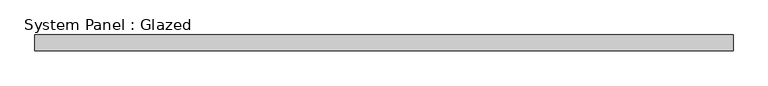
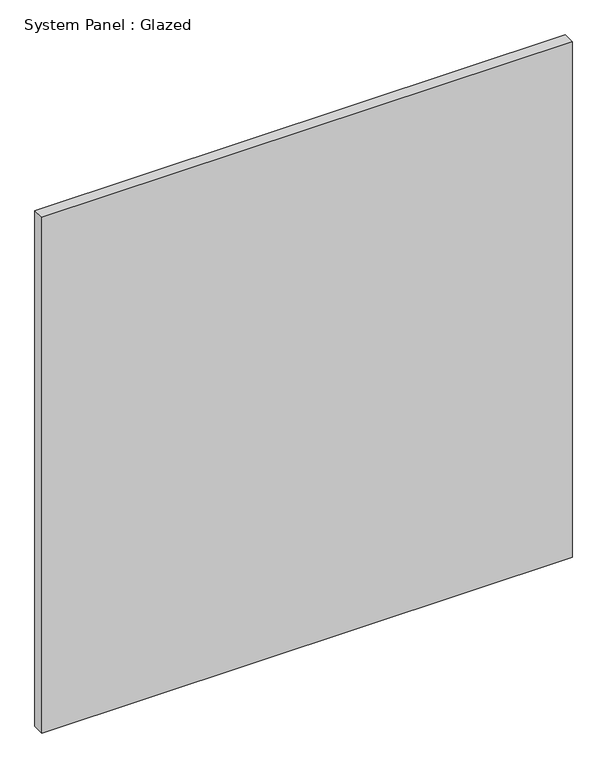
"""IFC4 building model written with IfcOpenShell, lengths in millimetres: plate geometry, System Panel : Glazed."""

import ifcopenshell
import ifcopenshell.guid

model = None  # the IFC model being written
_history = None  # IfcOwnerHistory: only IFC2X3 demands one
_inside = {}  # id of a spatial element -> (the spatial element, [elements in it])
_under = {}  # id of a project, library or spatial element -> (it, [spatial elements below it])
_declared = {}  # id of a project -> (the project, [libraries it declares])
_typed = {}  # id of a type object -> (the type object, [elements of that type])
_made_of = {}  # id of a material, layer set ... -> (it, [elements and type objects made of it])


def new_model(schema):
    """Start an empty IFC model of exactly this schema.

    Asked for "IFC4X3", IfcOpenShell would pick the latest addendum, in which some entities
    have other attributes; the version numbers below select the first issue.
    IFC2X3 requires an IfcOwnerHistory on every rooted entity: one is made here for all.
    """
    global model, _history
    if schema == "IFC4X3":
        model = ifcopenshell.file(schema_version=(4, 3, 0, 0))
    else:
        model = ifcopenshell.file(schema=schema)
    _inside.clear()
    _under.clear()
    _declared.clear()
    _typed.clear()
    _made_of.clear()
    _history = None
    if model.schema == "IFC2X3":
        org = make("IfcOrganization", Name="unknown")
        user = make(
            "IfcPersonAndOrganization",
            ThePerson=make("IfcPerson", FamilyName="unknown"),
            TheOrganization=org,
        )
        app = make(
            "IfcApplication",
            ApplicationDeveloper=org,
            Version="unknown",
            ApplicationFullName="unknown",
            ApplicationIdentifier="unknown",
        )
        _history = make(
            "IfcOwnerHistory",
            OwningUser=user,
            OwningApplication=app,
            ChangeAction="ADDED",
            CreationDate=0,
        )
    return model


def make(cls, **values):
    """One entity of the class cls with the attributes given. An attribute that is None is left unset."""
    return model.create_entity(
        cls, **{name: value for name, value in values.items() if value is not None}
    )


def rooted(cls, **values):
    """An entity with a GlobalId (a new one), such as an element, a storey or a relation."""
    return make(cls, GlobalId=ifcopenshell.guid.new(), OwnerHistory=_history, **values)


def si_unit(unit_type, name, prefix=None):
    """IfcSIUnit, for example si_unit("LENGTHUNIT", "METRE", prefix="MILLI")."""
    return make("IfcSIUnit", UnitType=unit_type, Prefix=prefix, Name=name)


def assignment(units):
    """IfcUnitAssignment: the units of a project."""
    return None if units is None else make("IfcUnitAssignment", Units=units)


def point(xyz):
    """IfcCartesianPoint."""
    return None if xyz is None else make("IfcCartesianPoint", Coordinates=xyz)


def direction(xyz):
    """IfcDirection."""
    return None if xyz is None else make("IfcDirection", DirectionRatios=xyz)


def frame(location, z_axis=None, x_axis=None):
    """IfcAxis2Placement3D, a coordinate frame: its origin and axes. An axis left out is left unset."""
    return make(
        "IfcAxis2Placement3D",
        Location=point(location),
        Axis=direction(z_axis),
        RefDirection=direction(x_axis),
    )


def origin():
    """The frame at (0, 0, 0) with its axes left unset."""
    return frame((0.0, 0.0, 0.0))


def origin_with_axes():
    """The frame at (0, 0, 0) with the z axis (0, 0, 1) and the x axis (1, 0, 0) written out."""
    return frame((0.0, 0.0, 0.0), z_axis=(0.0, 0.0, 1.0), x_axis=(1.0, 0.0, 0.0))


def place(relative_to, where):
    """IfcLocalPlacement: puts the frame where relative to a parent placement (None: the world)."""
    return make(
        "IfcLocalPlacement", PlacementRelTo=relative_to, RelativePlacement=where
    )


def context(
    kind, dimensions, precision=None, world=None, true_north=None, identifier=None
):
    """IfcGeometricRepresentationContext, for example the 3D "Model" context."""
    return make(
        "IfcGeometricRepresentationContext",
        ContextIdentifier=identifier,
        ContextType=kind,
        CoordinateSpaceDimension=dimensions,
        Precision=precision,
        WorldCoordinateSystem=world,
        TrueNorth=true_north,
    )


def project(units=None, contexts=None):
    """IfcProject with its units and contexts."""
    return rooted(
        "IfcProject",
        Name="project",
        RepresentationContexts=contexts,
        UnitsInContext=assignment(units),
    )


def spatial(cls, under=None, at=None, **own):
    """A site, building, storey or space (cls), placed at a placement, below another one or the project."""
    s = rooted(cls, ObjectPlacement=at, **own)
    if under is not None:
        _under.setdefault(under.id(), (under, []))[1].append(s)
    return s


def polyline(points):
    """IfcPolyline through the points."""
    return make("IfcPolyline", Points=[point(p) for p in points])


def outline(outer, holes=None, kind="AREA"):
    """IfcArbitraryClosedProfileDef: a profile drawn as a closed curve; with holes, ...WithVoids."""
    if holes is None:
        return make("IfcArbitraryClosedProfileDef", ProfileType=kind, OuterCurve=outer)
    return make(
        "IfcArbitraryProfileDefWithVoids",
        ProfileType=kind,
        OuterCurve=outer,
        InnerCurves=holes,
    )


def extrude(swept, where, along, depth):
    """IfcExtrudedAreaSolid: the profile swept, set in the frame where, extruded along a direction by depth."""
    return make(
        "IfcExtrudedAreaSolid",
        SweptArea=swept,
        Position=where,
        ExtrudedDirection=direction(along),
        Depth=depth,
    )


def shape(context_of_items, identifier, shape_type, items):
    """IfcShapeRepresentation: the items that make up one representation, for example the "Body"."""
    return make(
        "IfcShapeRepresentation",
        ContextOfItems=context_of_items,
        RepresentationIdentifier=identifier,
        RepresentationType=shape_type,
        Items=items,
    )


def source(mapping_origin, context_of_items, identifier, shape_type, items):
    """IfcRepresentationMap: a shape defined once, which mapped items show again and again."""
    return make(
        "IfcRepresentationMap",
        MappingOrigin=mapping_origin,
        MappedRepresentation=shape(context_of_items, identifier, shape_type, items),
    )


def transform(
    local_origin,
    x_axis=None,
    y_axis=None,
    z_axis=None,
    scale=None,
    scale2=None,
    scale3=None,
    uniform=True,
):
    """IfcCartesianTransformationOperator3D, or its non-uniform kind. x_axis, y_axis, z_axis: its Axis1, 2, 3."""
    if uniform:
        return make(
            "IfcCartesianTransformationOperator3D",
            Axis1=direction(x_axis),
            Axis2=direction(y_axis),
            LocalOrigin=point(local_origin),
            Scale=scale,
            Axis3=direction(z_axis),
        )
    return make(
        "IfcCartesianTransformationOperator3DnonUniform",
        Axis1=direction(x_axis),
        Axis2=direction(y_axis),
        LocalOrigin=point(local_origin),
        Scale=scale,
        Axis3=direction(z_axis),
        Scale2=scale2,
        Scale3=scale3,
    )


def mapped(mapping_source, mapping_target):
    """IfcMappedItem: shows the shape of a source again, moved by a transform."""
    return make(
        "IfcMappedItem", MappingSource=mapping_source, MappingTarget=mapping_target
    )


def made_of(thing, what):
    """Note that an element or type object is made of a material, layer set ...; save() writes the relation."""
    if what is not None:
        _made_of.setdefault(what.id(), (what, []))[1].append(thing)
    return thing


def element(
    cls,
    number,
    at=None,
    inside=None,
    cuts=None,
    type_object=None,
    material=None,
    context=None,
    identifier="Body",
    shape_type=None,
    held_by="IfcProductDefinitionShape",
    body=None,
    shapes=None,
    **own,
):
    """One element of the class cls, such as IfcWall. Its Tag is "e" and its number.

    at: its placement. inside: the storey or other place that contains it. cuts: it is an
    opening in that element (IfcRelVoidsElement). A single representation is given by context,
    identifier, shape_type and body (its items); several are given by shapes. held_by: the class
    of the entity that holds the representations. save() writes the other relations.
    """
    e = rooted(cls, Tag="e%d" % number, ObjectPlacement=at, **own)
    if body is not None:
        shapes = [shape(context, identifier, shape_type, body)]
    if shapes is not None:
        e.Representation = make(held_by, Representations=shapes)
    if inside is not None:
        _inside.setdefault(inside.id(), (inside, []))[1].append(e)
    if cuts is not None:
        rooted(
            "IfcRelVoidsElement", RelatingBuildingElement=cuts, RelatedOpeningElement=e
        )
    if type_object is not None:
        _typed.setdefault(type_object.id(), (type_object, []))[1].append(e)
    return made_of(e, material)


def aggregate(whole, parts):
    """IfcRelAggregates: a whole, such as a stair, and the parts it consists of."""
    return rooted("IfcRelAggregates", RelatingObject=whole, RelatedObjects=parts)


def save(model, path):
    """Write the relations noted so far, then the file.

    IfcRelAggregates (storeys below a building ...), IfcRelContainedInSpatialStructure (elements
    in a storey), IfcRelDefinesByType, IfcRelAssociatesMaterial and IfcRelDeclares: one each for
    every whole, place, type object, material and project.
    """
    for whole, parts in _under.values():
        aggregate(whole, parts)
    for where, things in _inside.values():
        rooted(
            "IfcRelContainedInSpatialStructure",
            RelatedElements=things,
            RelatingStructure=where,
        )
    for kind, things in _typed.values():
        rooted("IfcRelDefinesByType", RelatedObjects=things, RelatingType=kind)
    for what, things in _made_of.values():
        rooted("IfcRelAssociatesMaterial", RelatedObjects=things, RelatingMaterial=what)
    for by, libraries in _declared.values():
        rooted("IfcRelDeclares", RelatingContext=by, RelatedDefinitions=libraries)
    model.write(path)


def system_panel_glazed_5cea675a(model_context):
    return source(origin(), model_context, "Body", "SweptSolid", [
        extrude(outline(polyline([(561.975, -44.45), (-561.975, -44.45), (-561.975, -19.05), (561.975, -19.05), (561.975, -44.45)])), origin_with_axes(), (0.0, 0.0, 1.0), 1155.7),
    ])


if __name__ == "__main__":
    model = new_model("IFC4")
    model_context = context("Model", 3, world=origin())
    ifc_project = project(units=[si_unit("LENGTHUNIT", "METRE", prefix="MILLI")], contexts=[model_context])
    site = spatial("IfcSite", under=ifc_project)
    building = spatial("IfcBuilding", under=site)
    placement = place(None, origin())
    system_panel_glazed_shape = system_panel_glazed_5cea675a(model_context)
    element("IfcPlate", 1, ObjectType="System Panel : Glazed", at=placement, inside=building, context=model_context, shape_type="MappedRepresentation", body=[
        mapped(system_panel_glazed_shape, transform((0.0, 0.0, 0.0), x_axis=(1.0, 0.0, 0.0), y_axis=(0.0, 1.0, 0.0), z_axis=(0.0, 0.0, 1.0))),
    ])
    save(model, "model.ifc")
